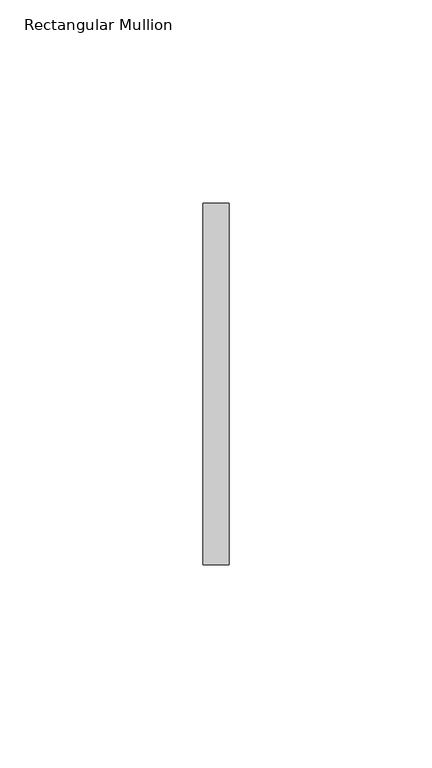
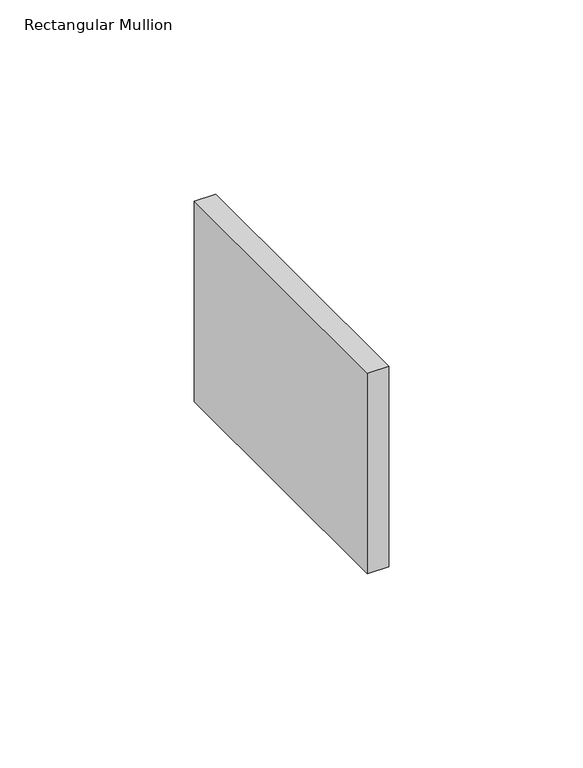
"""IFC4 building model written with IfcOpenShell, lengths in millimetres: member geometry, Rectangular Mullion."""

from ifc_helpers import new_model, si_unit, frame, origin, place, context, project, spatial, polyline, outline, extrude, source, transform, mapped, element, save


def rectangular_mullion_757cda51(model_context):
    return source(origin(), model_context, "Body", "SweptSolid", [
        extrude(outline(polyline([(0.0, 44.45), (0.0, -44.45), (-6.35, -44.45), (-6.35, 44.45), (0.0, 44.45)])), frame((0.0, 0.0, -62.9554687), z_axis=(0.0, 0.0, 1.0), x_axis=(1.0, 0.0, 0.0)), (0.0, 0.0, 1.0), 62.9554687),
    ])


if __name__ == "__main__":
    model = new_model("IFC4")
    model_context = context("Model", 3, world=origin())
    ifc_project = project(units=[si_unit("LENGTHUNIT", "METRE", prefix="MILLI")], contexts=[model_context])
    site = spatial("IfcSite", under=ifc_project)
    building = spatial("IfcBuilding", under=site)
    placement = place(None, origin())
    rectangular_mullion_shape = rectangular_mullion_757cda51(model_context)
    element("IfcMember", 1, ObjectType="Rectangular Mullion", at=placement, inside=building, context=model_context, shape_type="MappedRepresentation", body=[
        mapped(rectangular_mullion_shape, transform((0.0, 0.0, 0.0), x_axis=(1.0, 0.0, 0.0), y_axis=(0.0, 1.0, 0.0), z_axis=(0.0, 0.0, 1.0))),
    ])
    save(model, "model.ifc")
